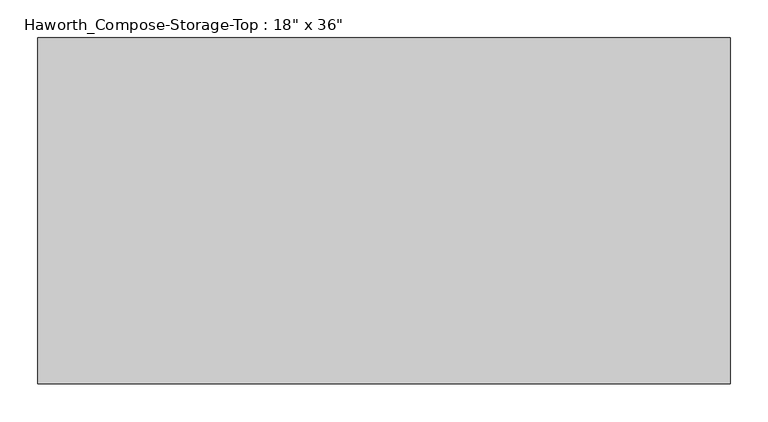
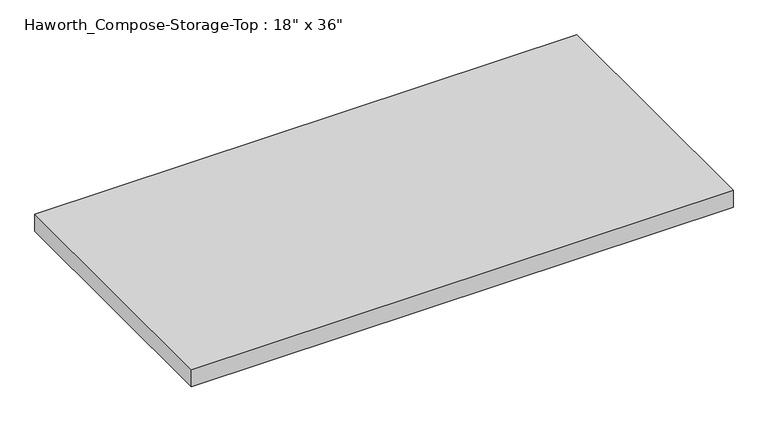
"""IFC4 building model written with IfcOpenShell, lengths in millimetres: furniture geometry."""

from ifc_helpers import new_model, si_unit, frame, origin, place, context, project, spatial, polyline, outline, extrude, source, transform, mapped, element, save


def furniture_d05c86de(model_context):
    return source(origin(), model_context, "Body", "SweptSolid", [
        extrude(outline(polyline([(457.2, -228.6), (-457.2, -228.6), (-457.2, 228.6), (457.2, 228.6), (457.2, -228.6)])), frame((0.0, 0.0, 706.4375), z_axis=(0.0, 0.0, 1.0), x_axis=(1.0, 0.0, 0.0)), (0.0, 0.0, 1.0), 30.1625),
    ])


if __name__ == "__main__":
    model = new_model("IFC4")
    model_context = context("Model", 3, world=origin())
    ifc_project = project(units=[si_unit("LENGTHUNIT", "METRE", prefix="MILLI")], contexts=[model_context])
    site = spatial("IfcSite", under=ifc_project)
    building = spatial("IfcBuilding", under=site)
    placement = place(None, origin())
    furniture_shape = furniture_d05c86de(model_context)
    element("IfcFurniture", 1, ObjectType="Haworth_Compose-Storage-Top : 18\" x 36\"", at=placement, inside=building, context=model_context, shape_type="MappedRepresentation", body=[
        mapped(furniture_shape, transform((0.0, 0.0, 0.0), x_axis=(1.0, 0.0, 0.0), y_axis=(0.0, 1.0, 0.0), z_axis=(0.0, 0.0, 1.0))),
    ])
    save(model, "model.ifc")
